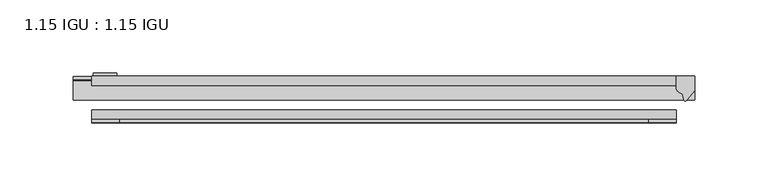
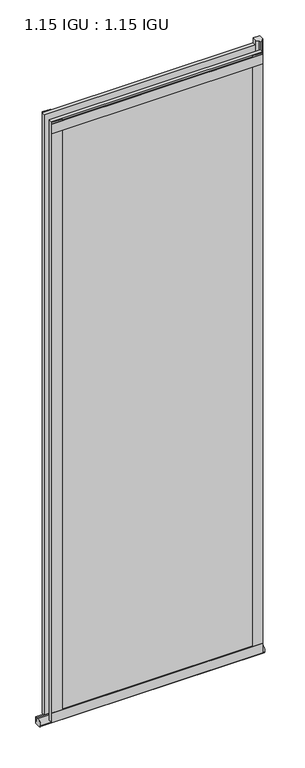
"""IFC4 building model written with IfcOpenShell, lengths in millimetres: plate geometry, 1.15 IGU : 1.15 IGU."""

from ifc_helpers import new_model, si_unit, point, frame, frame_2d, origin, place, context, project, spatial, polyline, circle_curve, ellipse_curve, trimmed, segment, composite_curve, outline, extrude, source, transform, mapped, element, save
from ifc_brep_helpers import plane_surface, revolved_surface, extruded_surface, advanced_brep


def plate_1_15_igu_1_15_igu_a7452d51(model_context):
    return source(origin(), model_context, "Body", "SolidModel", [
        extrude(outline(polyline([(200.009125, 0.0), (200.009125, -6.2992), (-200.009125, -6.2992), (-200.009125, 0.0), (200.009125, 0.0)])), frame((0.0, 0.0, -19.05), z_axis=(0.0, 0.0, 1.0), x_axis=(1.0, 0.0, 0.0)), (0.0, 0.0, 1.0), 1203.325),
        extrude(outline(polyline([(-200.009125, -23.1648), (200.009125, -23.1648), (200.009125, -29.464), (-200.009125, -29.464), (-200.009125, -23.1648)])), frame((0.0, 0.0, -19.05), z_axis=(0.0, 0.0, 1.0), x_axis=(1.0, 0.0, 0.0)), (0.0, 0.0, 1.0), 1203.325),
        advanced_brep(
        [(212.709125, -2.9334208, -29.3692082), (212.709125, -15.7658436, -30.8313288), (212.709125, -6.7904952, -34.925), (212.709125, 0.0, -34.925), (212.709125, 0.0, -22.225), (212.709125, -2.5187477, -22.225), (-212.709125, -2.9073519, -29.3720514), (-212.709125, -2.5187477, -22.225), (-212.709125, 0.0, -22.225), (-212.709125, 0.0, -34.925), (-212.709125, -6.7904952, -34.925), (-212.709125, -15.7658436, -30.8313288)],
        [
            (0, 1, ellipse_curve(frame((212.709125, -9.5065066, -28.575), z_axis=(1.0, 0.0, 0.0), x_axis=(0.0, 0.0, -1.0)), 6.9638038, 6.6162554)),
            (1, 2, ellipse_curve(frame((212.709125, -9.5065066, -28.575), z_axis=(1.0, 0.0, 0.0), x_axis=(0.0, 0.0, -1.0)), 6.9638038, 6.6162554)),
            (2, 3),
            (3, 4, circle_curve(frame((212.709125, 24.1576838, -28.575), z_axis=(-1.0, 0.0, 0.0), x_axis=(0.0, 0.0, 1.0)), 24.9783143)),
            (4, 5),
            (5, 0, circle_curve(frame((212.709125, -68.4358767, -22.225), z_axis=(-1.0, 0.0, 0.0), x_axis=(0.0, 0.0, 1.0)), 65.917129)),
            (6, 7, circle_curve(frame((-212.709125, -68.4358767, -22.225), z_axis=(1.0, 0.0, 0.0), x_axis=(0.0, 0.0, 1.0)), 65.917129)),
            (7, 8),
            (8, 9, circle_curve(frame((-212.709125, 24.1576838, -28.575), z_axis=(1.0, 0.0, 0.0), x_axis=(0.0, 0.0, 1.0)), 24.9783143)),
            (9, 10),
            (10, 11, ellipse_curve(frame((-212.709125, -9.5065066, -28.575), z_axis=(-1.0, 0.0, 0.0), x_axis=(0.0, 0.0, -1.0)), 6.9638038, 6.6162554)),
            (11, 6, ellipse_curve(frame((-212.709125, -9.5065066, -28.575), z_axis=(-1.0, 0.0, 0.0), x_axis=(0.0, 0.0, -1.0)), 6.9638038, 6.6162554)),
            (0, 6),
            (11, 1),
            (10, 2),
            (9, 3),
            (8, 4),
            (7, 5),
        ],
        [
            plane_surface(frame((212.709125, 0.0, -28.575), z_axis=(1.0, 0.0, 0.0), x_axis=(0.0, 1.0, 0.0))),
            plane_surface(frame((-212.709125, 0.0, -28.575), z_axis=(-1.0, 0.0, 0.0), x_axis=(0.0, 1.0, 0.0))),
            extruded_surface(trimmed(ellipse_curve(frame((-212.709125, -9.5065066, -28.575), z_axis=(1.0, 0.0, 0.0), x_axis=(0.0, 0.0, -1.0)), 6.9638038, 6.6162554), [point((-212.709125, -2.9334208, -29.3692082))], [point((-212.709125, -15.7658436, -30.8313288))], True, "CARTESIAN"), (425.41825, 0.0, 0.0), 425.41825),
            extruded_surface(trimmed(ellipse_curve(frame((-212.709125, -9.5065066, -28.575), z_axis=(1.0, 0.0, 0.0), x_axis=(0.0, 0.0, -1.0)), 6.9638038, 6.6162554), [point((-212.709125, -15.7658436, -30.8313288))], [point((-212.709125, -6.7904952, -34.925))], True, "CARTESIAN"), (425.41825, 0.0, 0.0), 425.41825),
            plane_surface(frame((212.709125, -6.7904952, -34.925), z_axis=(0.0, 0.0, -1.0), x_axis=(-1.0, 0.0, 0.0))),
            revolved_surface(polyline([(-212.709125, 24.1576838, -3.5966856999999983), (212.709125, 24.1576838, -3.5966856999999983)]), (212.709125, 24.1576838, -28.575), (-1.0, 0.0, 0.0)),
            plane_surface(frame((212.709125, 0.0, -22.225), z_axis=(0.0, 0.0, 1.0), x_axis=(-1.0, 0.0, 0.0))),
            revolved_surface(polyline([(-212.709125, -68.4358767, 43.692129), (212.709125, -68.4358767, 43.692129)]), (212.709125, -68.4358767, -22.225), (-1.0, 0.0, 0.0)),
        ],
        [
            (0, [[1, 2, 3, 4, 5, 6]]),
            (1, [[7, 8, 9, 10, 11, 12]]),
            (2, [[-1, 13, -12, 14]]),
            (3, [[-2, -14, -11, 15]]),
            (4, [[-3, -15, -10, 16]]),
            (5, [[-4, -16, -9, 17]]),
            (6, [[-5, -17, -8, 18]]),
            (7, [[-6, -18, -7, -13]]),
        ],
    ),
        extrude(outline(composite_curve([segment(polyline([(212.709125, 0.0), (212.709125, -9.7395025), (207.1428941, -16.3730781)]), True, "CONTINUOUS"), segment(trimmed(circle_curve(frame_2d((206.1892191, -15.7728374)), 1.1268473), [point((207.1428941, -16.3730781))], [point((205.0882662, -16.0130197))], False, "CARTESIAN"), True, "CONTINUOUS"), segment(polyline([(205.0882662, -16.0130197), (204.1080748, -11.7377885)]), True, "CONTINUOUS"), segment(trimmed(circle_curve(frame_2d((203.9806229, -7.7683362)), 3.9714979), [point((204.1080748, -11.7377885))], [point((200.0093036, -7.8060014))], False, "CARTESIAN"), True, "CONTINUOUS"), segment(polyline([(200.0093036, -7.8060014), (200.0093036, 0.0), (212.709125, 0.0)]), True, "CONTINUOUS")], self_intersect=False)), frame((0.0, 0.0, -19.05), z_axis=(0.0, 0.0, 1.0), x_axis=(1.0, 0.0, 0.0)), (0.0, 0.0, 1.0), 1213.6374),
        extrude(outline(polyline([(-200.009125, -31.75), (-200.009125, -29.464), (200.009125, -29.464), (200.009125, -31.75), (-200.009125, -31.75)])), frame((0.0, 0.0, -19.05), z_axis=(0.0, 0.0, 1.0), x_axis=(1.0, 0.0, 0.0)), (0.0, 0.0, 1.0), 19.05),
        extrude(outline(polyline([(-200.009125, -31.75), (-200.009125, -29.464), (200.009125, -29.464), (200.009125, -31.75), (-200.009125, -31.75)])), frame((0.0, 0.0, 1162.05), z_axis=(0.0, 0.0, 1.0), x_axis=(1.0, 0.0, 0.0)), (0.0, 0.0, 1.0), 19.05),
        extrude(outline(polyline([(180.959125, -29.464), (200.009125, -29.464), (200.009125, -31.75), (180.959125, -31.75), (180.959125, -29.464)])), frame((0.0, 0.0, -19.05), z_axis=(0.0, 0.0, 1.0), x_axis=(1.0, 0.0, 0.0)), (0.0, 0.0, 1.0), 1203.325),
        extrude(outline(polyline([(-200.009125, -31.75), (-200.009125, -29.464), (-180.959125, -29.464), (-180.959125, -31.75), (-200.009125, -31.75)])), frame((0.0, 0.0, -19.05), z_axis=(0.0, 0.0, 1.0), x_axis=(1.0, 0.0, 0.0)), (0.0, 0.0, 1.0), 1203.325),
        extrude(outline(polyline([(-198.802625, 0.0), (-198.802625, 2.286), (-182.927625, 2.286), (-182.927625, 0.0), (-198.802625, 0.0)])), frame((0.0, 0.0, -19.05), z_axis=(0.0, 0.0, 1.0), x_axis=(1.0, 0.0, 0.0)), (0.0, 0.0, 1.0), 1203.325),
    ])


if __name__ == "__main__":
    model = new_model("IFC4")
    model_context = context("Model", 3, world=origin())
    ifc_project = project(units=[si_unit("LENGTHUNIT", "METRE", prefix="MILLI")], contexts=[model_context])
    site = spatial("IfcSite", under=ifc_project)
    building = spatial("IfcBuilding", under=site)
    placement = place(None, origin())
    plate_1_15_igu_1_15_igu_shape = plate_1_15_igu_1_15_igu_a7452d51(model_context)
    element("IfcPlate", 1, ObjectType="1.15 IGU : 1.15 IGU", at=placement, inside=building, context=model_context, shape_type="MappedRepresentation", body=[
        mapped(plate_1_15_igu_1_15_igu_shape, transform((0.0, 0.0, 0.0), x_axis=(1.0, 0.0, 0.0), y_axis=(0.0, 1.0, 0.0), z_axis=(0.0, 0.0, 1.0))),
    ])
    save(model, "model.ifc")
